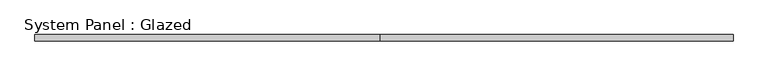
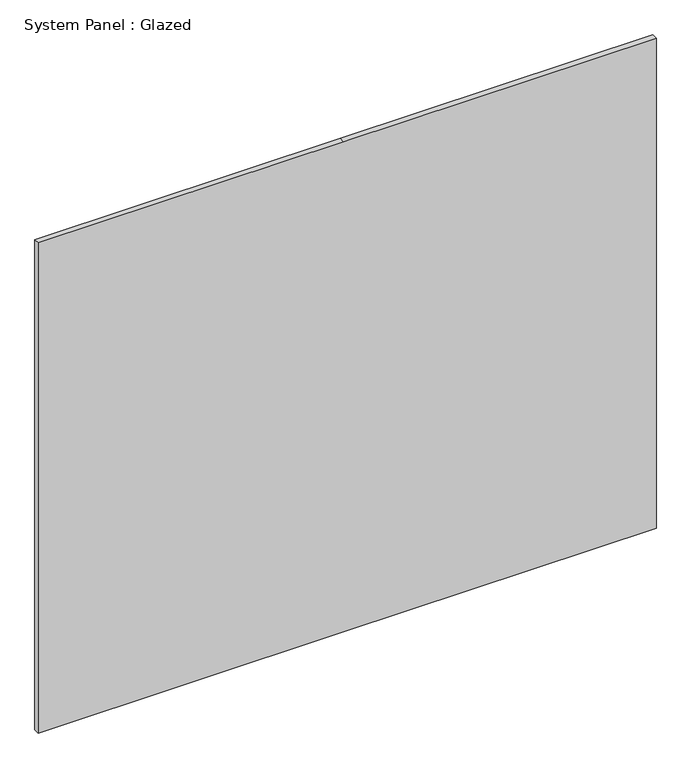
"""IFC4 building model written with IfcOpenShell, lengths in millimetres: plate geometry, System Panel : Glazed."""

from ifc_helpers import new_model, si_unit, frame, origin, place, context, project, spatial, polyline, outline, extrude, source, transform, mapped, element, save


def system_panel_glazed_b730f623(model_context):
    return source(origin(), model_context, "Body", "SweptSolid", [
        extrude(outline(polyline([(0.0, -1417.1083335), (0.0, -15.8749998), (0.0, 1417.1083335), (2374.9, 1417.1083335), (2374.9, -15.8749998), (2374.9, -1417.1083335), (0.0, -1417.1083335)])), frame((0.0, 19.05, 0.0), z_axis=(0.0, 1.0, 0.0), x_axis=(0.0, 0.0, 1.0)), (0.0, 0.0, 1.0), 25.4),
    ])


if __name__ == "__main__":
    model = new_model("IFC4")
    model_context = context("Model", 3, world=origin())
    ifc_project = project(units=[si_unit("LENGTHUNIT", "METRE", prefix="MILLI")], contexts=[model_context])
    site = spatial("IfcSite", under=ifc_project)
    building = spatial("IfcBuilding", under=site)
    placement = place(None, origin())
    system_panel_glazed_shape = system_panel_glazed_b730f623(model_context)
    element("IfcPlate", 1, ObjectType="System Panel : Glazed", at=placement, inside=building, context=model_context, shape_type="MappedRepresentation", body=[
        mapped(system_panel_glazed_shape, transform((0.0, 0.0, 0.0), x_axis=(1.0, 0.0, 0.0), y_axis=(0.0, 1.0, 0.0), z_axis=(0.0, 0.0, 1.0))),
    ])
    save(model, "model.ifc")
